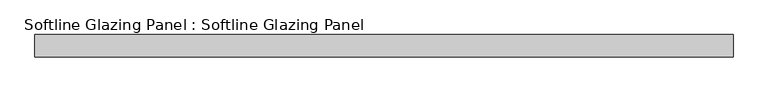
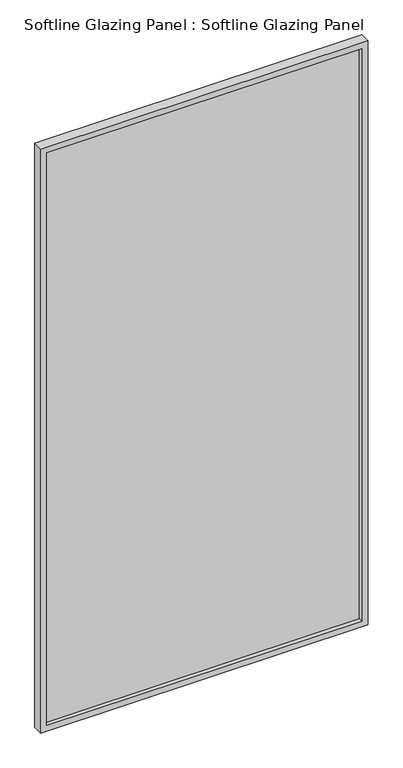
"""IFC4 building model written with IfcOpenShell, lengths in millimetres: plate geometry, Softline Glazing Panel : Softline Glazing Panel."""

from ifc_helpers import new_model, si_unit, frame, origin, place, context, project, spatial, polyline, outline, extrude, faceted_brep, source, transform, mapped, element, save


def softline_glazing_panel_softline_glazing_panel_652f4906(model_context):
    return source(origin(), model_context, "Body", "SolidModel", [
        extrude(outline(polyline([(691.7949779, -4.0), (-691.7949779, -4.0), (-691.7949779, 4.0), (691.7949779, 4.0), (691.7949779, -4.0)])), frame((0.0, 0.0, 16.0), z_axis=(0.0, 0.0, 1.0), x_axis=(1.0, 0.0, 0.0)), (0.0, 0.0, 1.0), 2638.0),
        faceted_brep([(681.7949779, -4.0, 26.0), (-681.7949779, -4.0, 26.0), (-681.7949779, -22.5, 26.0), (681.7949779, -22.5, 26.0), (691.7949779, 4.0, 16.0), (-691.7949779, 4.0, 16.0), (-691.7949779, -4.0, 16.0), (691.7949779, -4.0, 16.0), (681.7949779, 22.5, 26.0), (-681.7949779, 22.5, 26.0), (-681.7949779, 4.0, 26.0), (681.7949779, 4.0, 26.0), (707.7949779, -22.5, 0.0), (-707.7949779, -22.5, 0.0), (-707.7949779, 22.5, 0.0), (707.7949779, 22.5, 0.0), (-681.7949779, -4.0, 2644.0), (-681.7949779, -22.5, 2644.0), (-691.7949779, 4.0, 2654.0), (-691.7949779, -4.0, 2654.0), (-681.7949779, 22.5, 2644.0), (-681.7949779, 4.0, 2644.0), (-707.7949779, -22.5, 2670.0), (-707.7949779, 22.5, 2670.0), (681.7949779, -4.0, 2644.0), (681.7949779, -22.5, 2644.0), (691.7949779, 4.0, 2654.0), (691.7949779, -4.0, 2654.0), (681.7949779, 22.5, 2644.0), (681.7949779, 4.0, 2644.0), (707.7949779, -22.5, 2670.0), (707.7949779, 22.5, 2670.0)], [[[0, 1, 2, 3]], [[4, 5, 6, 7]], [[8, 9, 10, 11]], [[12, 13, 14, 15]], [[1, 16, 17, 2]], [[5, 18, 19, 6]], [[9, 20, 21, 10]], [[13, 22, 23, 14]], [[16, 24, 25, 17]], [[18, 26, 27, 19]], [[20, 28, 29, 21]], [[22, 30, 31, 23]], [[13, 12, 30, 22], [3, 2, 17, 25]], [[24, 0, 3, 25]], [[7, 6, 19, 27], [1, 0, 24, 16]], [[26, 4, 7, 27]], [[5, 4, 26, 18], [11, 10, 21, 29]], [[28, 8, 11, 29]], [[15, 14, 23, 31], [9, 8, 28, 20]], [[30, 12, 15, 31]]]),
    ])


if __name__ == "__main__":
    model = new_model("IFC4")
    model_context = context("Model", 3, world=origin())
    ifc_project = project(units=[si_unit("LENGTHUNIT", "METRE", prefix="MILLI")], contexts=[model_context])
    site = spatial("IfcSite", under=ifc_project)
    building = spatial("IfcBuilding", under=site)
    placement = place(None, origin())
    softline_glazing_panel_softline_glazing_panel_shape = softline_glazing_panel_softline_glazing_panel_652f4906(model_context)
    element("IfcPlate", 1, ObjectType="Softline Glazing Panel : Softline Glazing Panel", at=placement, inside=building, context=model_context, shape_type="MappedRepresentation", body=[
        mapped(softline_glazing_panel_softline_glazing_panel_shape, transform((0.0, 0.0, 0.0), x_axis=(1.0, 0.0, 0.0), y_axis=(0.0, 1.0, 0.0), z_axis=(0.0, 0.0, 1.0))),
    ])
    save(model, "model.ifc")
